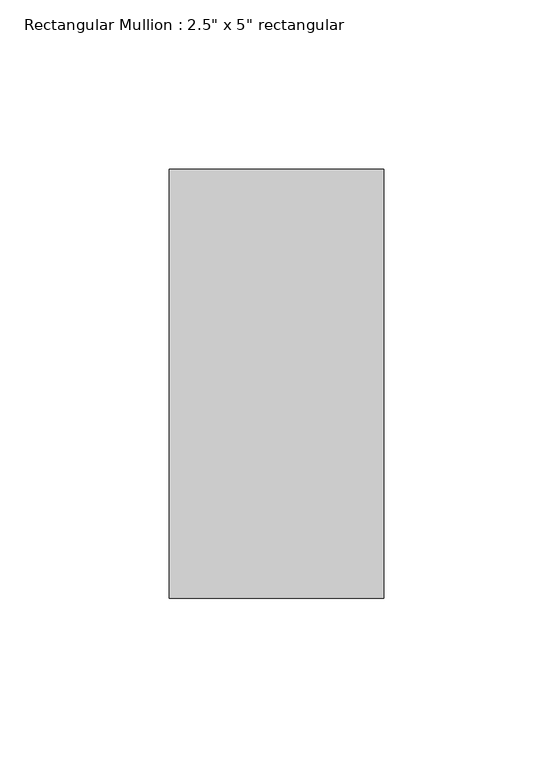
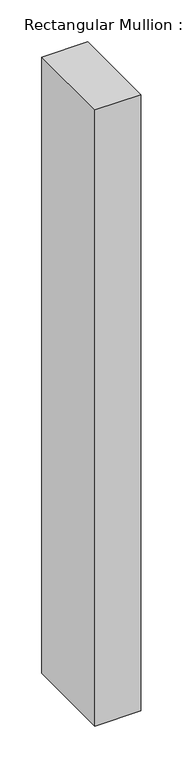
"""IFC4 building model written with IfcOpenShell, lengths in millimetres: member geometry."""

from ifc_helpers import new_model, si_unit, frame, origin, place, context, project, spatial, polyline, outline, extrude, source, transform, mapped, element, save


def member_31163e7c(model_context):
    return source(origin(), model_context, "Body", "SweptSolid", [
        extrude(outline(polyline([(0.0, 63.5), (0.0, -63.5), (-63.5, -63.5), (-63.5, 63.5), (0.0, 63.5)])), frame((0.0, 0.0, -900.0), z_axis=(0.0, 0.0, 1.0), x_axis=(1.0, 0.0, 0.0)), (0.0, 0.0, 1.0), 900.0),
    ])


if __name__ == "__main__":
    model = new_model("IFC4")
    model_context = context("Model", 3, world=origin())
    ifc_project = project(units=[si_unit("LENGTHUNIT", "METRE", prefix="MILLI")], contexts=[model_context])
    site = spatial("IfcSite", under=ifc_project)
    building = spatial("IfcBuilding", under=site)
    placement = place(None, origin())
    member_shape = member_31163e7c(model_context)
    element("IfcMember", 1, ObjectType="Rectangular Mullion : 2.5\" x 5\" rectangular", at=placement, inside=building, context=model_context, shape_type="MappedRepresentation", body=[
        mapped(member_shape, transform((0.0, 0.0, 0.0), x_axis=(1.0, 0.0, 0.0), y_axis=(0.0, 1.0, 0.0), z_axis=(0.0, 0.0, 1.0))),
    ])
    save(model, "model.ifc")
